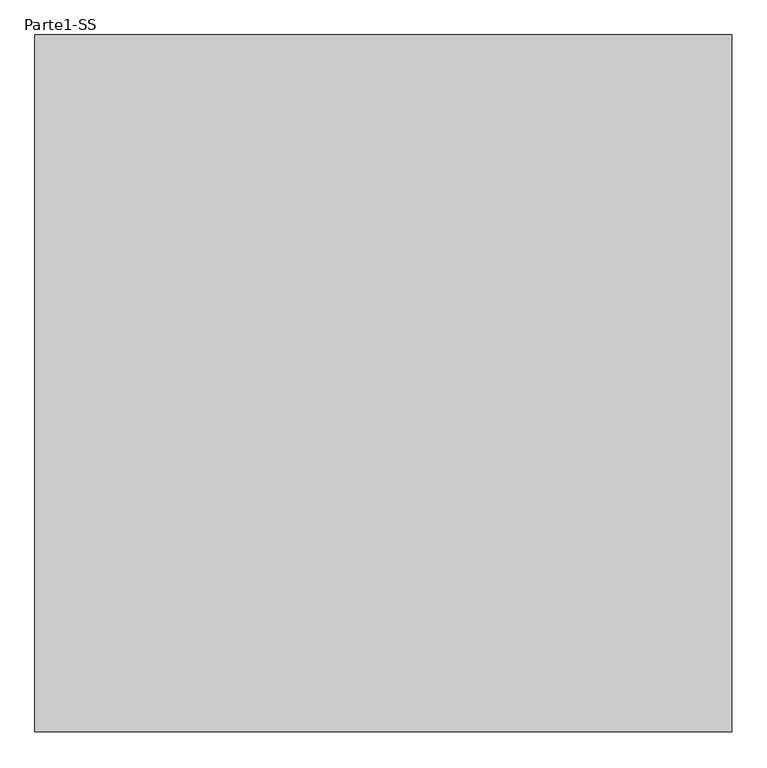
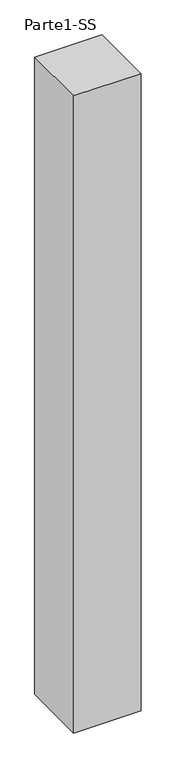
"""IFC4 building model written with IfcOpenShell, lengths in millimetres: proxy geometry, Parte1-SS."""

import ifcopenshell
import ifcopenshell.guid

model = None  # the IFC model being written
_history = None  # IfcOwnerHistory: only IFC2X3 demands one
_inside = {}  # id of a spatial element -> (the spatial element, [elements in it])
_under = {}  # id of a project, library or spatial element -> (it, [spatial elements below it])
_declared = {}  # id of a project -> (the project, [libraries it declares])
_typed = {}  # id of a type object -> (the type object, [elements of that type])
_made_of = {}  # id of a material, layer set ... -> (it, [elements and type objects made of it])


def new_model(schema):
    """Start an empty IFC model of exactly this schema.

    Asked for "IFC4X3", IfcOpenShell would pick the latest addendum, in which some entities
    have other attributes; the version numbers below select the first issue.
    IFC2X3 requires an IfcOwnerHistory on every rooted entity: one is made here for all.
    """
    global model, _history
    if schema == "IFC4X3":
        model = ifcopenshell.file(schema_version=(4, 3, 0, 0))
    else:
        model = ifcopenshell.file(schema=schema)
    _inside.clear()
    _under.clear()
    _declared.clear()
    _typed.clear()
    _made_of.clear()
    _history = None
    if model.schema == "IFC2X3":
        org = make("IfcOrganization", Name="unknown")
        user = make(
            "IfcPersonAndOrganization",
            ThePerson=make("IfcPerson", FamilyName="unknown"),
            TheOrganization=org,
        )
        app = make(
            "IfcApplication",
            ApplicationDeveloper=org,
            Version="unknown",
            ApplicationFullName="unknown",
            ApplicationIdentifier="unknown",
        )
        _history = make(
            "IfcOwnerHistory",
            OwningUser=user,
            OwningApplication=app,
            ChangeAction="ADDED",
            CreationDate=0,
        )
    return model


def make(cls, **values):
    """One entity of the class cls with the attributes given. An attribute that is None is left unset."""
    return model.create_entity(
        cls, **{name: value for name, value in values.items() if value is not None}
    )


def rooted(cls, **values):
    """An entity with a GlobalId (a new one), such as an element, a storey or a relation."""
    return make(cls, GlobalId=ifcopenshell.guid.new(), OwnerHistory=_history, **values)


def si_unit(unit_type, name, prefix=None):
    """IfcSIUnit, for example si_unit("LENGTHUNIT", "METRE", prefix="MILLI")."""
    return make("IfcSIUnit", UnitType=unit_type, Prefix=prefix, Name=name)


def assignment(units):
    """IfcUnitAssignment: the units of a project."""
    return None if units is None else make("IfcUnitAssignment", Units=units)


def point(xyz):
    """IfcCartesianPoint."""
    return None if xyz is None else make("IfcCartesianPoint", Coordinates=xyz)


def direction(xyz):
    """IfcDirection."""
    return None if xyz is None else make("IfcDirection", DirectionRatios=xyz)


def frame(location, z_axis=None, x_axis=None):
    """IfcAxis2Placement3D, a coordinate frame: its origin and axes. An axis left out is left unset."""
    return make(
        "IfcAxis2Placement3D",
        Location=point(location),
        Axis=direction(z_axis),
        RefDirection=direction(x_axis),
    )


def origin():
    """The frame at (0, 0, 0) with its axes left unset."""
    return frame((0.0, 0.0, 0.0))


def place(relative_to, where):
    """IfcLocalPlacement: puts the frame where relative to a parent placement (None: the world)."""
    return make(
        "IfcLocalPlacement", PlacementRelTo=relative_to, RelativePlacement=where
    )


def context(
    kind, dimensions, precision=None, world=None, true_north=None, identifier=None
):
    """IfcGeometricRepresentationContext, for example the 3D "Model" context."""
    return make(
        "IfcGeometricRepresentationContext",
        ContextIdentifier=identifier,
        ContextType=kind,
        CoordinateSpaceDimension=dimensions,
        Precision=precision,
        WorldCoordinateSystem=world,
        TrueNorth=true_north,
    )


def project(units=None, contexts=None):
    """IfcProject with its units and contexts."""
    return rooted(
        "IfcProject",
        Name="project",
        RepresentationContexts=contexts,
        UnitsInContext=assignment(units),
    )


def spatial(cls, under=None, at=None, **own):
    """A site, building, storey or space (cls), placed at a placement, below another one or the project."""
    s = rooted(cls, ObjectPlacement=at, **own)
    if under is not None:
        _under.setdefault(under.id(), (under, []))[1].append(s)
    return s


def polyline(points):
    """IfcPolyline through the points."""
    return make("IfcPolyline", Points=[point(p) for p in points])


def outline(outer, holes=None, kind="AREA"):
    """IfcArbitraryClosedProfileDef: a profile drawn as a closed curve; with holes, ...WithVoids."""
    if holes is None:
        return make("IfcArbitraryClosedProfileDef", ProfileType=kind, OuterCurve=outer)
    return make(
        "IfcArbitraryProfileDefWithVoids",
        ProfileType=kind,
        OuterCurve=outer,
        InnerCurves=holes,
    )


def extrude(swept, where, along, depth):
    """IfcExtrudedAreaSolid: the profile swept, set in the frame where, extruded along a direction by depth."""
    return make(
        "IfcExtrudedAreaSolid",
        SweptArea=swept,
        Position=where,
        ExtrudedDirection=direction(along),
        Depth=depth,
    )


def shape(context_of_items, identifier, shape_type, items):
    """IfcShapeRepresentation: the items that make up one representation, for example the "Body"."""
    return make(
        "IfcShapeRepresentation",
        ContextOfItems=context_of_items,
        RepresentationIdentifier=identifier,
        RepresentationType=shape_type,
        Items=items,
    )


def source(mapping_origin, context_of_items, identifier, shape_type, items):
    """IfcRepresentationMap: a shape defined once, which mapped items show again and again."""
    return make(
        "IfcRepresentationMap",
        MappingOrigin=mapping_origin,
        MappedRepresentation=shape(context_of_items, identifier, shape_type, items),
    )


def transform(
    local_origin,
    x_axis=None,
    y_axis=None,
    z_axis=None,
    scale=None,
    scale2=None,
    scale3=None,
    uniform=True,
):
    """IfcCartesianTransformationOperator3D, or its non-uniform kind. x_axis, y_axis, z_axis: its Axis1, 2, 3."""
    if uniform:
        return make(
            "IfcCartesianTransformationOperator3D",
            Axis1=direction(x_axis),
            Axis2=direction(y_axis),
            LocalOrigin=point(local_origin),
            Scale=scale,
            Axis3=direction(z_axis),
        )
    return make(
        "IfcCartesianTransformationOperator3DnonUniform",
        Axis1=direction(x_axis),
        Axis2=direction(y_axis),
        LocalOrigin=point(local_origin),
        Scale=scale,
        Axis3=direction(z_axis),
        Scale2=scale2,
        Scale3=scale3,
    )


def mapped(mapping_source, mapping_target):
    """IfcMappedItem: shows the shape of a source again, moved by a transform."""
    return make(
        "IfcMappedItem", MappingSource=mapping_source, MappingTarget=mapping_target
    )


def made_of(thing, what):
    """Note that an element or type object is made of a material, layer set ...; save() writes the relation."""
    if what is not None:
        _made_of.setdefault(what.id(), (what, []))[1].append(thing)
    return thing


def element(
    cls,
    number,
    at=None,
    inside=None,
    cuts=None,
    type_object=None,
    material=None,
    context=None,
    identifier="Body",
    shape_type=None,
    held_by="IfcProductDefinitionShape",
    body=None,
    shapes=None,
    **own,
):
    """One element of the class cls, such as IfcWall. Its Tag is "e" and its number.

    at: its placement. inside: the storey or other place that contains it. cuts: it is an
    opening in that element (IfcRelVoidsElement). A single representation is given by context,
    identifier, shape_type and body (its items); several are given by shapes. held_by: the class
    of the entity that holds the representations. save() writes the other relations.
    """
    e = rooted(cls, Tag="e%d" % number, ObjectPlacement=at, **own)
    if body is not None:
        shapes = [shape(context, identifier, shape_type, body)]
    if shapes is not None:
        e.Representation = make(held_by, Representations=shapes)
    if inside is not None:
        _inside.setdefault(inside.id(), (inside, []))[1].append(e)
    if cuts is not None:
        rooted(
            "IfcRelVoidsElement", RelatingBuildingElement=cuts, RelatedOpeningElement=e
        )
    if type_object is not None:
        _typed.setdefault(type_object.id(), (type_object, []))[1].append(e)
    return made_of(e, material)


def aggregate(whole, parts):
    """IfcRelAggregates: a whole, such as a stair, and the parts it consists of."""
    return rooted("IfcRelAggregates", RelatingObject=whole, RelatedObjects=parts)


def save(model, path):
    """Write the relations noted so far, then the file.

    IfcRelAggregates (storeys below a building ...), IfcRelContainedInSpatialStructure (elements
    in a storey), IfcRelDefinesByType, IfcRelAssociatesMaterial and IfcRelDeclares: one each for
    every whole, place, type object, material and project.
    """
    for whole, parts in _under.values():
        aggregate(whole, parts)
    for where, things in _inside.values():
        rooted(
            "IfcRelContainedInSpatialStructure",
            RelatedElements=things,
            RelatingStructure=where,
        )
    for kind, things in _typed.values():
        rooted("IfcRelDefinesByType", RelatedObjects=things, RelatingType=kind)
    for what, things in _made_of.values():
        rooted("IfcRelAssociatesMaterial", RelatedObjects=things, RelatingMaterial=what)
    for by, libraries in _declared.values():
        rooted("IfcRelDeclares", RelatingContext=by, RelatedDefinitions=libraries)
    model.write(path)


def parte1_ss_03b0882a(model_context):
    return source(origin(), model_context, "Body", "SweptSolid", [
        extrude(outline(polyline([(10000.0, 10000.0), (10000.0, 0.0), (0.0, 0.0), (0.0, 10000.0), (10000.0, 10000.0)])), frame((0.0, 0.0, 25000.0), z_axis=(0.0, 0.0, 1.0), x_axis=(1.0, 0.0, 0.0)), (0.0, 0.0, 1.0), 100000.0),
    ])


if __name__ == "__main__":
    model = new_model("IFC4")
    model_context = context("Model", 3, world=origin())
    ifc_project = project(units=[si_unit("LENGTHUNIT", "METRE", prefix="MILLI")], contexts=[model_context])
    site = spatial("IfcSite", under=ifc_project)
    building = spatial("IfcBuilding", under=site)
    placement = place(None, origin())
    parte1_ss_shape = parte1_ss_03b0882a(model_context)
    element("IfcBuildingElementProxy", 1, Name="Parte1-SS", ObjectType="Parte1-SS", at=placement, inside=building, context=model_context, shape_type="MappedRepresentation", body=[
        mapped(parte1_ss_shape, transform((0.0, 0.0, 0.0), x_axis=(1.0, 0.0, 0.0), y_axis=(0.0, 1.0, 0.0), z_axis=(0.0, 0.0, 1.0))),
    ])
    save(model, "model.ifc")
